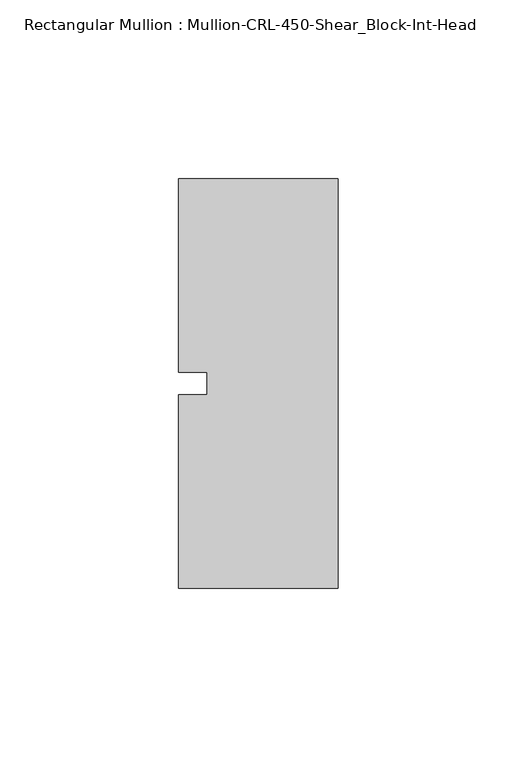
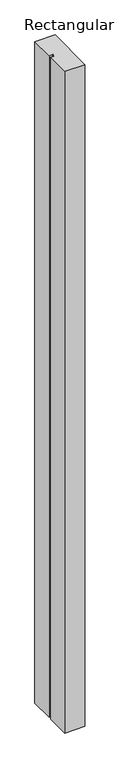
"""IFC4 building model written with IfcOpenShell, lengths in millimetres: member geometry, Rectangular Mullion : Mullion-CRL-450-Shear_Block-Int-Head."""

from ifc_helpers import new_model, si_unit, frame, origin, place, context, project, spatial, polyline, outline, extrude, source, transform, mapped, element, save


def rectangular_mullion_mullion_crl_450_shear_block_int_head_50545f04(model_context):
    return source(origin(), model_context, "Body", "SweptSolid", [
        extrude(outline(polyline([(0.0, -57.15), (-44.45, -57.15), (-44.45, -3.175), (-36.5125, -3.175), (-36.5125, 3.175), (-44.45, 3.175), (-44.45, 57.15), (0.0, 57.15), (0.0, -57.15)])), frame((0.0, 0.0, -1545.1666667), z_axis=(0.0, 0.0, 1.0), x_axis=(1.0, 0.0, 0.0)), (0.0, 0.0, 1.0), 1545.1666667),
    ])


if __name__ == "__main__":
    model = new_model("IFC4")
    model_context = context("Model", 3, world=origin())
    ifc_project = project(units=[si_unit("LENGTHUNIT", "METRE", prefix="MILLI")], contexts=[model_context])
    site = spatial("IfcSite", under=ifc_project)
    building = spatial("IfcBuilding", under=site)
    placement = place(None, origin())
    rectangular_mullion_mullion_crl_450_shear_block_int_head_shape = rectangular_mullion_mullion_crl_450_shear_block_int_head_50545f04(model_context)
    element("IfcMember", 1, ObjectType="Rectangular Mullion : Mullion-CRL-450-Shear_Block-Int-Head", at=placement, inside=building, context=model_context, shape_type="MappedRepresentation", body=[
        mapped(rectangular_mullion_mullion_crl_450_shear_block_int_head_shape, transform((0.0, 0.0, 0.0), x_axis=(1.0, 0.0, 0.0), y_axis=(0.0, 1.0, 0.0), z_axis=(0.0, 0.0, 1.0))),
    ])
    save(model, "model.ifc")
